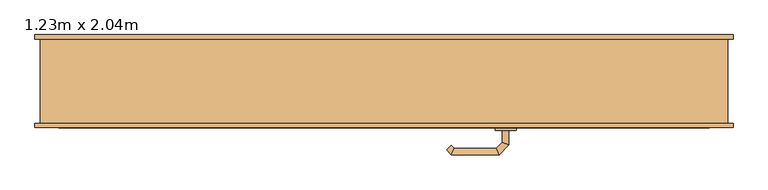
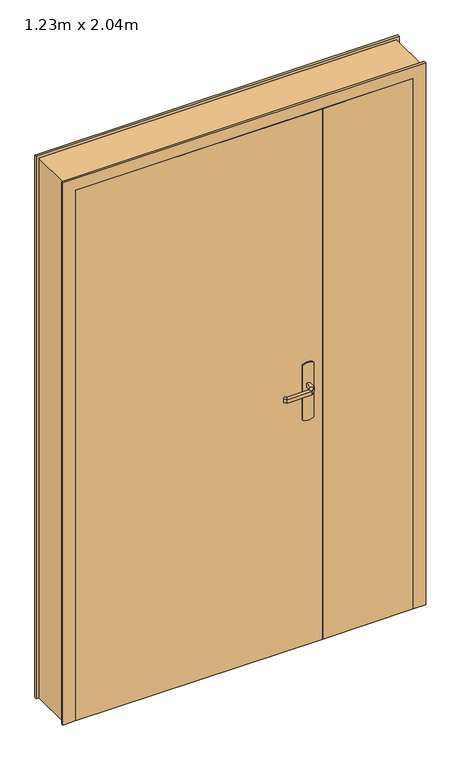
"""IFC4 building model written with IfcOpenShell, lengths in millimetres: door geometry, 1.23m x 2.04m."""

from ifc_helpers import new_model, si_unit, point, frame, frame_2d, origin, origin_with_axes, place, context, project, spatial, polyline, circle_curve, ellipse_curve, trimmed, segment, composite_curve, outline, extrude, faceted_brep, source, transform, mapped, element, save
from ifc_brep_helpers import plane_surface, cylinder_surface, advanced_brep


def door_1_23m_x_2_04m_2811d51c(model_context):
    return source(origin(), model_context, "Body", "SolidModel", [
        advanced_brep(
        [(224.0, -43.0, 993.0), (236.0, -43.0, 993.0), (236.0, -43.0, 1007.0), (224.0, -43.0, 1007.0), (224.0, -20.5147955, 1007.0), (224.0, -20.5147955, 993.0), (236.0, -15.5442327, 1007.0), (236.0, -15.5442327, 993.0), (212.5147186, -9.0295141, 1007.0), (212.5147186, -9.0295141, 993.0), (217.4852814, 2.9704859, 1007.0), (217.4852814, 2.9704859, 993.0), (132.4394977, -9.0295141, 1007.0), (132.4394977, -9.0295141, 993.0), (127.468935, 2.9704859, 1007.0), (127.468935, 2.9704859, 993.0), (127.1257892, -14.3432226, 993.0), (127.1257892, -14.3432226, 1007.0), (118.6405078, -5.8579412, 1007.0), (118.6405078, -5.8579412, 993.0)],
        [
            (0, 1, circle_curve(frame((230.0, -43.0, 1013.0457722), z_axis=(0.0, -1.0, 0.0), x_axis=(1.0, 0.0, 0.0)), 20.9244589)),
            (1, 2),
            (2, 3, circle_curve(frame((230.0, -43.0, 986.9542278), z_axis=(0.0, -1.0, 0.0), x_axis=(1.0, 0.0, 0.0)), 20.9244589)),
            (3, 0),
            (3, 4),
            (4, 5),
            (5, 0),
            (2, 6),
            (6, 4, ellipse_curve(frame((230.0, -18.0295141, 986.9542278), z_axis=(0.38268343236510893, -0.9238795325112789, 0.0), x_axis=(-0.9238795325112789, -0.3826834323651087, 0.0)), 22.6484711, 20.9244589)),
            (1, 7),
            (7, 6),
            (5, 7, ellipse_curve(frame((230.0, -18.0295141, 1013.0457722), z_axis=(0.38268343236510893, -0.9238795325112789, 0.0), x_axis=(-0.9238795325112789, -0.3826834323651087, 0.0)), 22.6484711, 20.9244589)),
            (4, 8),
            (8, 9),
            (9, 5),
            (6, 10),
            (10, 8, ellipse_curve(frame((215.0, -3.0295141, 986.9542278), z_axis=(0.9238795325112946, -0.38268343236507063, 0.0), x_axis=(-0.3826834323650701, -0.9238795325112948, 0.0)), 22.6484711, 20.9244589)),
            (7, 11),
            (11, 10),
            (9, 11, ellipse_curve(frame((215.0, -3.0295141, 1013.0457722), z_axis=(0.9238795325112946, -0.38268343236507063, 0.0), x_axis=(-0.3826834323650701, -0.9238795325112948, 0.0)), 22.6484711, 20.9244589)),
            (8, 12),
            (12, 13),
            (13, 9),
            (10, 14),
            (14, 12, ellipse_curve(frame((129.9542163, -3.0295141, 986.9542278), z_axis=(0.9238795325113071, 0.38268343236504027, 0.0), x_axis=(0.38268343236504115, -0.9238795325113068, 0.0)), 22.6484711, 20.9244589)),
            (11, 15),
            (15, 14),
            (13, 15, ellipse_curve(frame((129.9542163, -3.0295141, 1013.0457722), z_axis=(0.9238795325113071, 0.38268343236504027, 0.0), x_axis=(0.38268343236504115, -0.9238795325113068, 0.0)), 22.6484711, 20.9244589)),
            (16, 17),
            (17, 18, circle_curve(frame((122.8831485, -10.1005819, 986.9542278), z_axis=(-0.7071067811866232, -0.7071067811864719, 0.0), x_axis=(-0.7071067811864719, 0.7071067811866232, 0.0)), 20.9244589)),
            (18, 19),
            (19, 16, circle_curve(frame((122.8831485, -10.1005819, 1013.0457722), z_axis=(-0.7071067811866232, -0.7071067811864719, 0.0), x_axis=(-0.7071067811864719, 0.7071067811866232, 0.0)), 20.9244589)),
            (12, 17),
            (16, 13),
            (14, 18),
            (15, 19),
        ],
        [
            plane_surface(frame((239.2195445, -43.0, 1000.0), z_axis=(0.0, -1.0, 0.0), x_axis=(0.0, 0.0, 1.0))),
            plane_surface(frame((224.0, -43.0, 993.0), z_axis=(-1.0, 0.0, 0.0), x_axis=(0.0, 1.0, 0.0))),
            cylinder_surface(frame((230.0, -43.0, 986.9542278), z_axis=(0.0, -1.0, 0.0), x_axis=(1.0, 0.0, 0.0)), 20.9244589),
            plane_surface(frame((236.0, -43.0, 1007.0), z_axis=(1.0, 0.0, 0.0), x_axis=(0.0, 1.0, 0.0))),
            cylinder_surface(frame((230.0, -43.0, 1013.0457722), z_axis=(0.0, -1.0, 0.0), x_axis=(1.0, 0.0, 0.0)), 20.9244589),
            plane_surface(frame((224.0, -20.5147955, 993.0), z_axis=(-0.707106781186518, -0.707106781186577, 0.0), x_axis=(-0.707106781186577, 0.707106781186518, 0.0))),
            cylinder_surface(frame((230.0, -18.0295141, 986.9542278), z_axis=(0.7071067811865768, -0.7071067811865183, 0.0), x_axis=(0.7071067811865183, 0.7071067811865768, 0.0)), 20.9244589),
            plane_surface(frame((236.0, -15.5442327, 1007.0), z_axis=(0.7071067811865185, 0.7071067811865767, 0.0), x_axis=(-0.7071067811865767, 0.7071067811865185, 0.0))),
            cylinder_surface(frame((230.0, -18.0295141, 1013.0457722), z_axis=(0.7071067811865768, -0.7071067811865183, 0.0), x_axis=(0.7071067811865183, 0.7071067811865768, 0.0)), 20.9244589),
            plane_surface(frame((212.5147186, -9.0295141, 993.0), z_axis=(0.0, -1.0, 0.0), x_axis=(-1.0, 0.0, 0.0))),
            cylinder_surface(frame((215.0, -3.0295141, 986.9542278), z_axis=(1.0, 0.0, 0.0), x_axis=(0.0, 1.0, 0.0)), 20.9244589),
            plane_surface(frame((217.4852814, 2.9704859, 1007.0), z_axis=(0.0, 1.0, 0.0), x_axis=(-1.0, 0.0, 0.0))),
            cylinder_surface(frame((215.0, -3.0295141, 1013.0457722), z_axis=(1.0, 0.0, 0.0), x_axis=(0.0, 1.0, 0.0)), 20.9244589),
            plane_surface(frame((122.8831485, -10.1005819, 990.7804555), z_axis=(-0.7071067811866233, -0.7071067811864719, 0.0), x_axis=(-0.7071067811864719, 0.7071067811866233, 0.0))),
            plane_surface(frame((132.4394977, -9.0295141, 993.0), z_axis=(0.707106781186471, -0.7071067811866241, 0.0), x_axis=(-0.7071067811866241, -0.707106781186471, 0.0))),
            cylinder_surface(frame((129.9542163, -3.0295141, 986.9542278), z_axis=(0.7071067811866232, 0.7071067811864719, 0.0), x_axis=(-0.7071067811864719, 0.7071067811866232, 0.0)), 20.9244589),
            plane_surface(frame((127.468935, 2.9704859, 1007.0), z_axis=(-0.7071067811864723, 0.7071067811866228, 0.0), x_axis=(-0.7071067811866228, -0.7071067811864723, 0.0))),
            cylinder_surface(frame((129.9542163, -3.0295141, 1013.0457722), z_axis=(0.7071067811866232, 0.7071067811864719, 0.0), x_axis=(-0.7071067811864719, 0.7071067811866232, 0.0)), 20.9244589),
        ],
        [
            (0, [[1, 2, 3, 4]]),
            (1, [[5, 6, 7, -4]]),
            (2, [[8, 9, -5, -3]]),
            (3, [[10, 11, -8, -2]]),
            (4, [[-7, 12, -10, -1]]),
            (5, [[13, 14, 15, -6]]),
            (6, [[16, 17, -13, -9]]),
            (7, [[18, 19, -16, -11]]),
            (8, [[-15, 20, -18, -12]]),
            (9, [[21, 22, 23, -14]]),
            (10, [[24, 25, -21, -17]]),
            (11, [[26, 27, -24, -19]]),
            (12, [[-23, 28, -26, -20]]),
            (13, [[29, 30, 31, 32]]),
            (14, [[33, -29, 34, -22]]),
            (15, [[35, -30, -33, -25]]),
            (16, [[36, -31, -35, -27]]),
            (17, [[-34, -32, -36, -28]]),
        ],
    ),
        advanced_brep(
        [(236.0, -93.0, 1007.0), (236.0, -93.0, 993.0), (224.0, -93.0, 993.0), (224.0, -93.0, 1007.0), (224.0, -115.680388, 1007.0), (236.0, -120.6509507, 1007.0), (224.0, -115.680388, 993.0), (236.0, -120.6509507, 993.0), (212.6522273, -127.0281607, 1007.0), (217.62279, -139.0281607, 1007.0), (212.6522273, -127.0281607, 993.0), (217.62279, -139.0281607, 993.0), (132.4666408, -127.0281607, 1007.0), (127.496078, -139.0281607, 1007.0), (132.4666408, -127.0281607, 993.0), (127.496078, -139.0281607, 993.0), (118.6676509, -130.1997336, 1007.0), (127.1529323, -121.7144522, 1007.0), (127.1529323, -121.7144522, 993.0), (118.6676509, -130.1997336, 993.0)],
        [
            (0, 1),
            (1, 2, circle_curve(frame((230.0, -93.0, 1013.0457722), z_axis=(0.0, 1.0, 0.0), x_axis=(-1.0, 0.0, 0.0)), 20.9244589)),
            (2, 3),
            (3, 0, circle_curve(frame((230.0, -93.0, 986.9542278), z_axis=(0.0, 1.0, 0.0), x_axis=(-1.0, 0.0, 0.0)), 20.9244589)),
            (3, 4),
            (4, 5, ellipse_curve(frame((230.0, -118.1656693, 986.9542278), z_axis=(0.3826834323651093, 0.9238795325112789, 0.0), x_axis=(-0.9238795325112791, 0.38268343236510843, 0.0)), 22.6484711, 20.9244589)),
            (5, 0),
            (2, 6),
            (6, 4),
            (1, 7),
            (7, 6, ellipse_curve(frame((230.0, -118.1656693, 1013.0457722), z_axis=(0.3826834323651093, 0.9238795325112789, 0.0), x_axis=(-0.9238795325112791, 0.38268343236510843, 0.0)), 22.6484711, 20.9244589)),
            (5, 7),
            (4, 8),
            (8, 9, ellipse_curve(frame((215.1375086, -133.0281607, 986.9542278), z_axis=(0.9238795325112947, 0.38268343236507024, 0.0), x_axis=(-0.3826834323650698, 0.9238795325112951, 0.0)), 22.6484711, 20.9244589)),
            (9, 5),
            (6, 10),
            (10, 8),
            (7, 11),
            (11, 10, ellipse_curve(frame((215.1375086, -133.0281607, 1013.0457722), z_axis=(0.9238795325112947, 0.38268343236507024, 0.0), x_axis=(-0.3826834323650698, 0.9238795325112951, 0.0)), 22.6484711, 20.9244589)),
            (9, 11),
            (8, 12),
            (12, 13, ellipse_curve(frame((129.9813594, -133.0281607, 986.9542278), z_axis=(0.9238795325112743, -0.3826834323651198, 0.0), x_axis=(0.38268343236511987, 0.9238795325112744, 0.0)), 22.6484711, 20.9244589)),
            (13, 9),
            (10, 14),
            (14, 12),
            (11, 15),
            (15, 14, ellipse_curve(frame((129.9813594, -133.0281607, 1013.0457722), z_axis=(0.9238795325112743, -0.3826834323651198, 0.0), x_axis=(0.38268343236511987, 0.9238795325112744, 0.0)), 22.6484711, 20.9244589)),
            (13, 15),
            (16, 17, circle_curve(frame((122.9102916, -125.9570929, 986.9542278), z_axis=(-0.7071067811865017, 0.7071067811865933, 0.0), x_axis=(0.7071067811865933, 0.7071067811865017, 0.0)), 20.9244589)),
            (17, 18),
            (18, 19, circle_curve(frame((122.9102916, -125.9570929, 1013.0457722), z_axis=(-0.7071067811865017, 0.7071067811865933, 0.0), x_axis=(0.7071067811865933, 0.7071067811865017, 0.0)), 20.9244589)),
            (19, 16),
            (12, 17),
            (16, 13),
            (14, 18),
            (15, 19),
        ],
        [
            plane_surface(frame((239.2195445, -93.0, 1000.0), z_axis=(0.0, 1.0, 0.0), x_axis=(0.0, 0.0, -1.0))),
            cylinder_surface(frame((230.0, -93.0, 986.9542278), z_axis=(0.0, 1.0, 0.0), x_axis=(-1.0, 0.0, 0.0)), 20.9244589),
            plane_surface(frame((224.0, -93.0, 1007.0), z_axis=(-1.0, 0.0, 0.0), x_axis=(0.0, -1.0, 0.0))),
            cylinder_surface(frame((230.0, -93.0, 1013.0457722), z_axis=(0.0, 1.0, 0.0), x_axis=(-1.0, 0.0, 0.0)), 20.9244589),
            plane_surface(frame((236.0, -93.0, 993.0), z_axis=(1.0, 0.0, 0.0), x_axis=(0.0, -1.0, 0.0))),
            cylinder_surface(frame((230.0, -118.1656693, 986.9542278), z_axis=(0.7071067811865772, 0.7071067811865177, 0.0), x_axis=(-0.7071067811865177, 0.7071067811865772, 0.0)), 20.9244589),
            plane_surface(frame((224.0, -115.680388, 1007.0), z_axis=(-0.7071067811865183, 0.7071067811865768, 0.0), x_axis=(-0.7071067811865768, -0.7071067811865183, 0.0))),
            cylinder_surface(frame((230.0, -118.1656693, 1013.0457722), z_axis=(0.7071067811865772, 0.7071067811865177, 0.0), x_axis=(-0.7071067811865177, 0.7071067811865772, 0.0)), 20.9244589),
            plane_surface(frame((236.0, -120.6509507, 993.0), z_axis=(0.707106781186518, -0.707106781186577, 0.0), x_axis=(-0.707106781186577, -0.707106781186518, 0.0))),
            cylinder_surface(frame((215.1375086, -133.0281607, 986.9542278), z_axis=(1.0, 0.0, 0.0), x_axis=(0.0, 1.0, 0.0)), 20.9244589),
            plane_surface(frame((212.6522273, -127.0281607, 1007.0), z_axis=(0.0, 1.0, 0.0), x_axis=(-1.0, 0.0, 0.0))),
            cylinder_surface(frame((215.1375086, -133.0281607, 1013.0457722), z_axis=(1.0, 0.0, 0.0), x_axis=(0.0, 1.0, 0.0)), 20.9244589),
            plane_surface(frame((217.62279, -139.0281607, 993.0), z_axis=(0.0, -1.0, 0.0), x_axis=(-1.0, 0.0, 0.0))),
            plane_surface(frame((122.9102916, -125.9570929, 1009.2195445), z_axis=(-0.7071067811865019, 0.7071067811865932, 0.0), x_axis=(-0.7071067811865932, -0.7071067811865019, 0.0))),
            cylinder_surface(frame((129.9813594, -133.0281607, 986.9542278), z_axis=(0.7071067811865017, -0.7071067811865933, 0.0), x_axis=(0.7071067811865933, 0.7071067811865017, 0.0)), 20.9244589),
            plane_surface(frame((132.4666408, -127.0281607, 1007.0), z_axis=(0.7071067811865936, 0.7071067811865014, 0.0), x_axis=(-0.7071067811865014, 0.7071067811865936, 0.0))),
            cylinder_surface(frame((129.9813594, -133.0281607, 1013.0457722), z_axis=(0.7071067811865017, -0.7071067811865933, 0.0), x_axis=(0.7071067811865933, 0.7071067811865017, 0.0)), 20.9244589),
            plane_surface(frame((127.496078, -139.0281607, 993.0), z_axis=(-0.707106781186593, -0.7071067811865022, 0.0), x_axis=(-0.7071067811865022, 0.707106781186593, 0.0))),
        ],
        [
            (0, [[1, 2, 3, 4]]),
            (1, [[5, 6, 7, -4]]),
            (2, [[8, 9, -5, -3]]),
            (3, [[10, 11, -8, -2]]),
            (4, [[-7, 12, -10, -1]]),
            (5, [[13, 14, 15, -6]]),
            (6, [[16, 17, -13, -9]]),
            (7, [[18, 19, -16, -11]]),
            (8, [[-15, 20, -18, -12]]),
            (9, [[21, 22, 23, -14]]),
            (10, [[24, 25, -21, -17]]),
            (11, [[26, 27, -24, -19]]),
            (12, [[-23, 28, -26, -20]]),
            (13, [[29, 30, 31, 32]]),
            (14, [[33, -29, 34, -22]]),
            (15, [[35, -30, -33, -25]]),
            (16, [[36, -31, -35, -27]]),
            (17, [[-34, -32, -36, -28]]),
        ],
    ),
        extrude(outline(composite_curve([segment(polyline([(1080.0, 210.0), (870.0, 210.0)]), True, "CONTINUOUS"), segment(trimmed(circle_curve(frame_2d((904.6410162, 230.0)), 40.0), [point((870.0, 210.0))], [point((870.0, 250.0))], False, "CARTESIAN"), True, "CONTINUOUS"), segment(polyline([(870.0, 250.0), (1080.0, 250.0)]), True, "CONTINUOUS"), segment(trimmed(circle_curve(frame_2d((1045.3589838, 230.0)), 40.0), [point((1080.0, 250.0))], [point((1080.0, 210.0))], False, "CARTESIAN"), True, "CONTINUOUS")], self_intersect=False)), frame((0.0, -48.0, 0.0), z_axis=(0.0, 1.0, 0.0), x_axis=(0.0, 0.0, 1.0)), (0.0, 0.0, 1.0), 5.0),
        extrude(outline(composite_curve([segment(polyline([(870.0, 250.0), (1080.0, 250.0)]), True, "CONTINUOUS"), segment(trimmed(circle_curve(frame_2d((1045.3589838, 230.0)), 40.0), [point((1080.0, 250.0))], [point((1080.0, 210.0))], False, "CARTESIAN"), True, "CONTINUOUS"), segment(polyline([(1080.0, 210.0), (870.0, 210.0)]), True, "CONTINUOUS"), segment(trimmed(circle_curve(frame_2d((904.6410162, 230.0)), 40.0), [point((870.0, 210.0))], [point((870.0, 250.0))], False, "CARTESIAN"), True, "CONTINUOUS")], self_intersect=False)), frame((0.0, -93.0, 0.0), z_axis=(0.0, 1.0, 0.0), x_axis=(0.0, 0.0, 1.0)), (0.0, 0.0, 1.0), 5.0),
        faceted_brep([(-650.0, -80.0, 0.0), (-650.0, 80.0, 0.0), (-660.0, 80.0, 0.0), (-660.0, 88.0, 0.0), (-600.0, 88.0, 0.0), (-600.0, -48.0, 0.0), (-615.0, -48.0, 0.0), (-615.0, -88.0, 0.0), (-660.0, -88.0, 0.0), (-660.0, -80.0, 0.0), (-650.0, -80.0, 2075.0), (-650.0, 80.0, 2075.0), (650.0, 80.0, 2075.0), (650.0, 80.0, 0.0), (660.0, 80.0, 0.0), (660.0, 80.0, 2085.0), (-660.0, 80.0, 2085.0), (-660.0, 88.0, 2085.0), (660.0, 88.0, 2085.0), (660.0, 88.0, 0.0), (600.0, 88.0, 0.0), (600.0, 88.0, 2025.0), (-600.0, 88.0, 2025.0), (-600.0, -48.0, 2025.0), (600.0, -48.0, 2025.0), (600.0, -48.0, 0.0), (615.0, -48.0, 0.0), (615.0, -48.0, 2040.0), (-615.0, -48.0, 2040.0), (-615.0, -88.0, 2040.0), (615.0, -88.0, 2040.0), (615.0, -88.0, 0.0), (660.0, -88.0, 0.0), (660.0, -88.0, 2085.0), (-660.0, -88.0, 2085.0), (-660.0, -80.0, 2085.0), (660.0, -80.0, 2085.0), (660.0, -80.0, 0.0), (650.0, -80.0, 0.0), (650.0, -80.0, 2075.0)], [[[0, 1, 2, 3, 4, 5, 6, 7, 8, 9]], [[1, 0, 10, 11]], [[2, 1, 11, 12, 13, 14, 15, 16]], [[3, 2, 16, 17]], [[4, 3, 17, 18, 19, 20, 21, 22]], [[5, 4, 22, 23]], [[6, 5, 23, 24, 25, 26, 27, 28]], [[7, 6, 28, 29]], [[8, 7, 29, 30, 31, 32, 33, 34]], [[9, 8, 34, 35]], [[0, 9, 35, 36, 37, 38, 39, 10]], [[12, 39, 38, 13]], [[38, 37, 32, 31, 26, 25, 20, 19, 14, 13]], [[18, 15, 14, 19]], [[24, 21, 20, 25]], [[30, 27, 26, 31]], [[36, 33, 32, 37]], [[11, 10, 39, 12]], [[17, 16, 15, 18]], [[23, 22, 21, 24]], [[29, 28, 27, 30]], [[35, 34, 33, 36]]]),
        extrude(outline(polyline([(615.0, -88.0), (285.0, -88.0), (285.0, -48.0), (615.0, -48.0), (615.0, -88.0)])), origin_with_axes(), (0.0, 0.0, 1.0), 2040.0),
        extrude(outline(polyline([(285.0, -88.0), (-615.0, -88.0), (-615.0, -48.0), (285.0, -48.0), (285.0, -88.0)])), origin_with_axes(), (0.0, 0.0, 1.0), 2040.0),
    ])


if __name__ == "__main__":
    model = new_model("IFC4")
    model_context = context("Model", 3, world=origin())
    ifc_project = project(units=[si_unit("LENGTHUNIT", "METRE", prefix="MILLI")], contexts=[model_context])
    site = spatial("IfcSite", under=ifc_project)
    building = spatial("IfcBuilding", under=site)
    placement = place(None, origin())
    door_1_23m_x_2_04m_shape = door_1_23m_x_2_04m_2811d51c(model_context)
    element("IfcDoor", 1, ObjectType="1.23m x 2.04m", at=placement, inside=building, context=model_context, shape_type="MappedRepresentation", body=[
        mapped(door_1_23m_x_2_04m_shape, transform((0.0, 0.0, 0.0), x_axis=(1.0, 0.0, 0.0), y_axis=(0.0, 1.0, 0.0), z_axis=(0.0, 0.0, 1.0))),
    ])
    save(model, "model.ifc")
